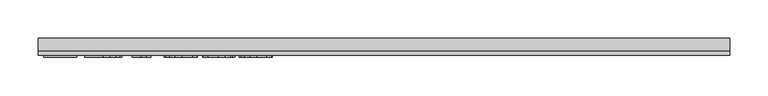
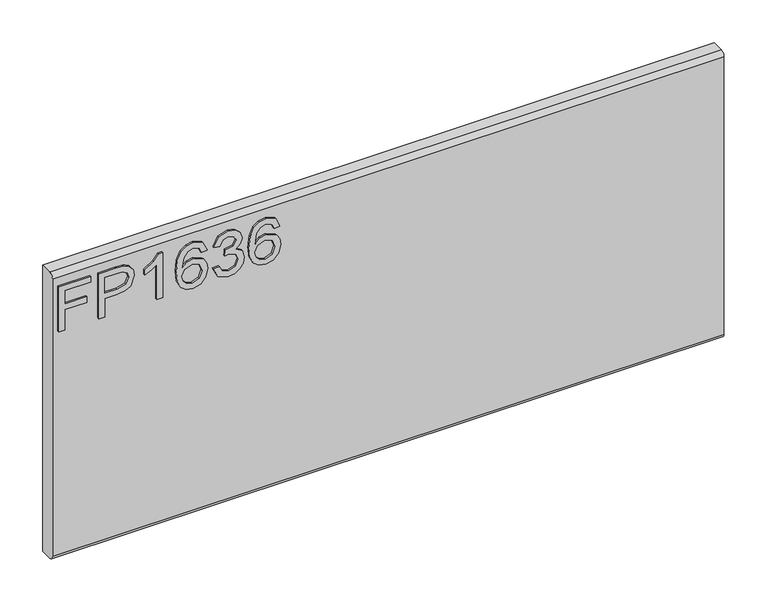
"""IFC4 building model written with IfcOpenShell, lengths in millimetres: furniture geometry."""

from ifc_helpers import new_model, si_unit, frame, origin, place, context, project, spatial, polyline, circle_curve, outline, extrude, source, transform, mapped, element, save
from ifc_brep_helpers import plane_surface, cylinder_surface, advanced_brep


def furniture_cdae17a8(model_context):
    return source(origin(), model_context, "Body", "SolidModel", [
        extrude(outline(polyline([(476.25, -443.8729953), (476.25, -435.8992757), (505.1547336, -435.8992757), (505.1547336, -405.9978271), (513.1284532, -405.9978271), (513.1284532, -435.8992757), (532.0660373, -435.8992757), (532.0660373, -401.0142524), (540.0397569, -401.0142524), (540.0397569, -443.8729953), (476.25, -443.8729953)])), frame((0.0, -15.0812439, 0.0), z_axis=(0.0, 1.0, 0.0), x_axis=(0.0, 0.0, 1.0)), (0.0, 0.0, 1.0), 2.38125),
        extrude(outline(polyline([(476.25, -390.0503879), (476.25, -382.0766683), (502.1645888, -382.0766683), (502.1645888, -365.8644766), (503.574006, -354.5365776), (507.8022577, -347.3395948), (521.5849567, -342.2080702), (530.282852, -344.1080581), (536.4500257, -349.130567), (539.4323838, -356.8784684), (540.0397569, -366.4095551), (540.0397569, -390.0503879), (476.25, -390.0503879)]), holes=[polyline([(510.1383084, -382.0766683), (532.0660373, -382.0766683), (532.0660373, -365.5841506), (531.5209588, -357.6104309), (527.9078671, -352.2297276), (521.3046306, -350.1817898), (513.0661585, -353.6547185), (510.1383084, -365.3972665), (510.1383084, -382.0766683)])]), frame((0.0, -15.0812439, 0.0), z_axis=(0.0, 1.0, 0.0), x_axis=(0.0, 0.0, 1.0)), (0.0, 0.0, 1.0), 2.38125),
        extrude(outline(polyline([(476.25, -304.332902), (540.0397569, -304.332902), (540.0397569, -309.4722135), (531.5521062, -316.5660207), (524.0923177, -328.2540609), (516.5546609, -328.2540609), (520.5804549, -319.8598521), (525.9611582, -312.3066216), (476.25, -312.3066216), (476.25, -304.332902)])), frame((0.0, -15.0812439, 0.0), z_axis=(0.0, 1.0, 0.0), x_axis=(0.0, 0.0, 1.0)), (0.0, 0.0, 1.0), 2.38125),
        extrude(outline(polyline([(523.0956028, -244.5300049), (535.538966, -250.4168526), (540.0397569, -263.0159525), (538.2215308, -272.2706066), (532.7668525, -279.4150282), (521.9081103, -284.6477817), (506.0268592, -286.3920329), (491.9015395, -284.8210388), (482.4171738, -280.1080566), (477.0442572, -272.903287), (475.253285, -263.8569308), (477.955317, -253.4069974), (485.7421526, -246.1652403), (496.7449512, -243.5332899), (504.9172351, -244.9310269), (511.4309231, -249.1242379), (517.115313, -262.6733317), (515.0362279, -271.3868007), (508.6743833, -278.4183133), (522.8853582, -276.1523441), (530.1349021, -270.709346), (532.0660373, -263.51431), (528.7488454, -255.5250167), (522.0988878, -252.5037245), (523.0956028, -244.5300049)]), holes=[polyline([(496.8695406, -278.4183133), (505.75432, -274.454814), (509.1415934, -264.8069247), (505.75432, -255.0344461), (496.4801988, -251.5070095), (486.7933754, -255.0811671), (483.2270047, -264.4798776), (484.9478953, -271.6671268), (489.9626174, -276.5728332), (496.8695406, -278.4183133)])]), frame((0.0, -15.0812439, 0.0), z_axis=(0.0, 1.0, 0.0), x_axis=(0.0, 0.0, 1.0)), (0.0, 0.0, 1.0), 2.38125),
        extrude(outline(polyline([(493.1941542, -236.5562853), (480.2524335, -230.2178011), (475.253285, -216.2326444), (476.7172101, -207.7099529), (481.1089854, -200.7991364), (487.6032063, -196.220477), (495.3744681, -194.6942573), (505.7465331, -197.7466968), (511.197318, -206.4368053), (516.4767925, -199.8958634), (523.8275653, -197.6844021), (531.8713664, -200.012666), (537.8516562, -206.7404919), (540.0397569, -216.3572338), (535.6012607, -229.0342021), (523.0956028, -235.5595703), (522.0988878, -227.5858507), (529.5742499, -223.6768592), (532.0660373, -216.0769077), (529.5976105, -208.5703982), (523.3603552, -205.6581217), (516.3210558, -209.6761289), (514.1251682, -220.0014729), (506.1514486, -220.8891721), (507.0235742, -215.2982242), (503.76089, -206.2343476), (495.5146312, -202.6679769), (486.762228, -206.2654949), (483.2270047, -215.9523184), (485.7966604, -224.1830036), (494.1908691, -228.5825656), (493.1941542, -236.5562853)])), frame((0.0, -15.0812439, 0.0), z_axis=(0.0, 1.0, 0.0), x_axis=(0.0, 0.0, 1.0)), (0.0, 0.0, 1.0), 2.38125),
        extrude(outline(polyline([(523.0956028, -146.8519396), (535.538966, -152.7387872), (540.0397569, -165.3378872), (538.2215308, -174.5925413), (532.7668525, -181.7369629), (521.9081103, -186.9697164), (506.0268592, -188.7139676), (491.9015395, -187.1429735), (482.4171738, -182.4299913), (477.0442572, -175.2252216), (475.253285, -166.1788654), (477.955317, -155.7289321), (485.7421526, -148.487175), (496.7449512, -145.8552246), (504.9172351, -147.2529616), (511.4309231, -151.4461725), (517.115313, -164.9952664), (515.0362279, -173.7087354), (508.6743833, -180.7402479), (522.8853582, -178.4742788), (530.1349021, -173.0312807), (532.0660373, -165.8362447), (528.7488454, -157.8469514), (522.0988878, -154.8256592), (523.0956028, -146.8519396)]), holes=[polyline([(496.8695406, -180.7402479), (505.75432, -176.7767486), (509.1415934, -167.1288594), (505.75432, -157.3563807), (496.4801988, -153.8289442), (486.7933754, -157.4031017), (483.2270047, -166.8018123), (484.9478953, -173.9890615), (489.9626174, -178.8947679), (496.8695406, -180.7402479)])]), frame((0.0, -15.0812439, 0.0), z_axis=(0.0, 1.0, 0.0), x_axis=(0.0, 0.0, 1.0)), (0.0, 0.0, 1.0), 2.38125),
        advanced_brep(
        [(450.85, 9.5250061, 558.8), (450.85, -6.7309939, 558.8), (450.85, -12.6999939, 552.831), (450.85, -12.6999939, 158.369), (450.85, -6.7309939, 152.4), (450.85, 9.5250061, 152.4), (-450.85, 9.5250061, 558.8), (-450.85, 9.5250061, 152.4), (-450.85, -6.7309939, 152.4), (-450.85, -12.6999939, 158.369), (-450.85, -12.6999939, 552.8310121), (-450.85, -6.7309939, 558.8)],
        [
            (0, 1),
            (1, 2, circle_curve(frame((450.85, -6.7309939, 552.831), z_axis=(1.0, 0.0, 0.0), x_axis=(0.0, 1.0, 0.0)), 5.969)),
            (2, 3),
            (3, 4, circle_curve(frame((450.85, -6.7309939, 158.369), z_axis=(1.0, 0.0, 0.0), x_axis=(0.0, 1.0, 0.0)), 5.969)),
            (4, 5),
            (5, 0),
            (6, 7),
            (7, 8),
            (8, 9, circle_curve(frame((-450.85, -6.7309939, 158.369), z_axis=(-1.0, 0.0, 0.0), x_axis=(0.0, 1.0, 0.0)), 5.969)),
            (9, 10),
            (10, 11, circle_curve(frame((-450.85, -6.7309939, 552.831), z_axis=(-1.0, 0.0, 0.0), x_axis=(0.0, 1.0, 0.0)), 5.969)),
            (11, 6),
            (0, 6),
            (11, 1),
            (10, 2),
            (9, 3),
            (8, 4),
            (7, 5),
        ],
        [
            plane_surface(frame((450.85, -6.7309939, 558.8), z_axis=(1.0, 0.0, 0.0), x_axis=(0.0, -1.0, 0.0))),
            plane_surface(frame((-450.85, -6.7309939, 558.8), z_axis=(-1.0, 0.0, 0.0), x_axis=(0.0, 1.0, 0.0))),
            plane_surface(frame((450.85, 9.5250061, 558.8), z_axis=(0.0, 0.0, 1.0), x_axis=(-1.0, 0.0, 0.0))),
            cylinder_surface(frame((-450.85, -6.7309939, 552.831), z_axis=(1.0, 0.0, 0.0), x_axis=(0.0, 1.0, 0.0)), 5.969),
            plane_surface(frame((450.85, -12.6999939, 552.8310121), z_axis=(0.0, -1.0, 0.0), x_axis=(-1.0, 0.0, 0.0))),
            cylinder_surface(frame((-450.85, -6.7309939, 158.369), z_axis=(1.0, 0.0, 0.0), x_axis=(0.0, 1.0, 0.0)), 5.969),
            plane_surface(frame((450.85, -6.7309939, 152.4), z_axis=(0.0, 0.0, -1.0), x_axis=(-1.0, 0.0, 0.0))),
            plane_surface(frame((450.85, 9.5250061, 152.4), z_axis=(0.0, 1.0, 0.0), x_axis=(-1.0, 0.0, 0.0))),
        ],
        [
            (0, [[1, 2, 3, 4, 5, 6]]),
            (1, [[7, 8, 9, 10, 11, 12]]),
            (2, [[-1, 13, -12, 14]]),
            (3, [[-2, -14, -11, 15]]),
            (4, [[-3, -15, -10, 16]]),
            (5, [[-4, -16, -9, 17]]),
            (6, [[-5, -17, -8, 18]]),
            (7, [[-6, -18, -7, -13]]),
        ],
    ),
    ])


if __name__ == "__main__":
    model = new_model("IFC4")
    model_context = context("Model", 3, world=origin())
    ifc_project = project(units=[si_unit("LENGTHUNIT", "METRE", prefix="MILLI")], contexts=[model_context])
    site = spatial("IfcSite", under=ifc_project)
    building = spatial("IfcBuilding", under=site)
    placement = place(None, origin())
    furniture_shape = furniture_cdae17a8(model_context)
    element("IfcFurniture", 1, at=placement, inside=building, context=model_context, shape_type="MappedRepresentation", body=[
        mapped(furniture_shape, transform((0.0, 0.0, 0.0), x_axis=(1.0, 0.0, 0.0), y_axis=(0.0, 1.0, 0.0), z_axis=(0.0, 0.0, 1.0))),
    ])
    save(model, "model.ifc")
